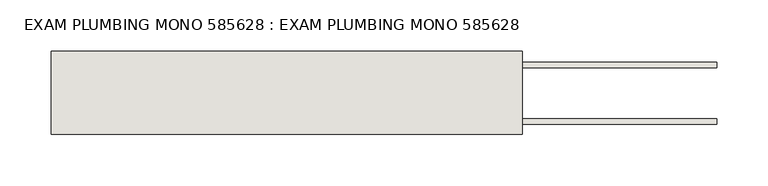
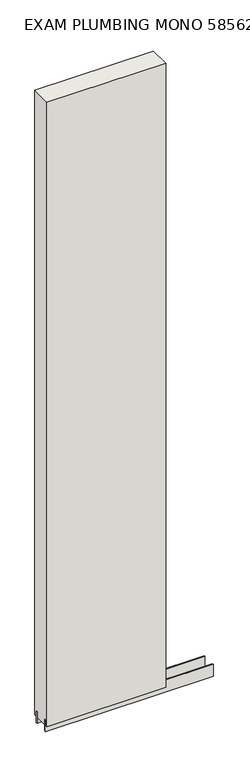
"""IFC4 building model written with IfcOpenShell, lengths in millimetres: wall geometry, EXAM PLUMBING MONO 585628 : EXAM PLUMBING MONO 585628."""

from ifc_helpers import new_model, si_unit, frame, origin, place, context, project, spatial, polyline, outline, extrude, source, transform, mapped, element, save


def exam_plumbing_mono_585628_exam_plumbing_mono_585628_ea950fba(model_context):
    return source(origin(), model_context, "Body", "SweptSolid", [
        extrude(outline(polyline([(49957.534832, -43072.1814704), (49960.074832, -43072.1814704), (49960.074832, -43074.7214704), (49957.534832, -43074.7214704), (49957.534832, -43072.1814704)])), frame((0.0, 0.0, 4419.6), z_axis=(0.0, 0.0, 1.0), x_axis=(1.0, 0.0, 0.0)), (0.0, 0.0, 1.0), 2.54),
        extrude(outline(polyline([(49499.620457, -43098.5414126), (50150.5729778, -43098.5414126), (50150.5729778, -43103.6232668), (49499.620457, -43103.6232668), (49499.620457, -43098.5414126)])), frame((0.0, 0.0, 4418.6602), z_axis=(0.0, 0.0, 1.0), x_axis=(1.0, 0.0, 0.0)), (0.0, 0.0, 1.0), 47.625),
        extrude(outline(polyline([(49499.620457, -43098.5414126), (50150.5729778, -43098.5414126), (50150.5729778, -43103.6232668), (49499.620457, -43103.6232668), (49499.620457, -43098.5414126)])), frame((0.0, 0.0, 4418.6602), z_axis=(0.0, 0.0, 1.0), x_axis=(1.0, 0.0, 0.0)), (0.0, 0.0, 1.0), 47.625),
        extrude(outline(polyline([(50150.5729778, -43048.3770222), (49499.620457, -43048.3770222), (49499.620457, -43043.2982668), (50150.5729778, -43043.2982668), (50150.5729778, -43048.3770222)])), frame((0.0, 0.0, 4418.6602), z_axis=(0.0, 0.0, 1.0), x_axis=(1.0, 0.0, 0.0)), (0.0, 0.0, 1.0), 47.625),
        extrude(outline(polyline([(50150.5729778, -43048.3770222), (49499.620457, -43048.3770222), (49499.620457, -43043.2982668), (50150.5729778, -43043.2982668), (50150.5729778, -43048.3770222)])), frame((0.0, 0.0, 4418.6602), z_axis=(0.0, 0.0, 1.0), x_axis=(1.0, 0.0, 0.0)), (0.0, 0.0, 1.0), 47.625),
        extrude(outline(polyline([(49499.620457, -43114.0877366), (49499.620457, -43032.8058824), (49960.0729778, -43032.8058824), (49960.0729778, -43114.0877366), (49499.620457, -43114.0877366)])), frame((0.0, 0.0, 4445.0), z_axis=(0.0, 0.0, 1.0), x_axis=(1.0, 0.0, 0.0)), (0.0, 0.0, 1.0), 2562.4536762),
    ])


if __name__ == "__main__":
    model = new_model("IFC4")
    model_context = context("Model", 3, world=origin())
    ifc_project = project(units=[si_unit("LENGTHUNIT", "METRE", prefix="MILLI")], contexts=[model_context])
    site = spatial("IfcSite", under=ifc_project)
    building = spatial("IfcBuilding", under=site)
    placement = place(None, origin())
    exam_plumbing_mono_585628_exam_plumbing_mono_585628_shape = exam_plumbing_mono_585628_exam_plumbing_mono_585628_ea950fba(model_context)
    element("IfcWall", 1, ObjectType="EXAM PLUMBING MONO 585628 : EXAM PLUMBING MONO 585628", at=placement, inside=building, context=model_context, shape_type="MappedRepresentation", body=[
        mapped(exam_plumbing_mono_585628_exam_plumbing_mono_585628_shape, transform((0.0, 0.0, 0.0), x_axis=(1.0, 0.0, 0.0), y_axis=(0.0, 1.0, 0.0), z_axis=(0.0, 0.0, 1.0))),
    ])
    save(model, "model.ifc")
